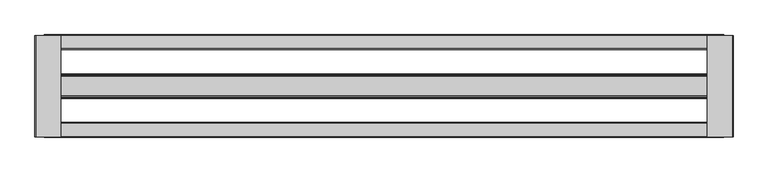
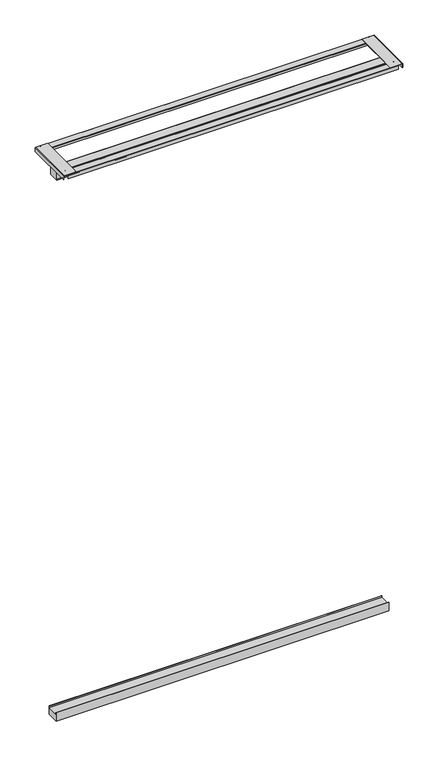
"""IFC4 building model written with IfcOpenShell, lengths in millimetres: proxy geometry."""

from ifc_helpers import new_model, si_unit, point, frame, frame_2d, origin, place, context, project, spatial, polyline, circle_curve, trimmed, segment, composite_curve, outline, extrude, source, transform, mapped, element, save


def specialty_equipment_dbc29249(model_context):
    return source(origin(), model_context, "Body", "SweptSolid", [
        extrude(outline(polyline([(151.8614375, 45.5168), (153.3854375, 45.5168), (153.3854375, 0.0), (91.5364375, 0.0), (91.5364375, 45.5168), (93.0604375, 45.5168), (93.0604375, 37.1348), (151.8614375, 37.1348), (151.8614375, 45.5168)])), frame((-575.3211522, 0.0, 0.0), z_axis=(1.0, 0.0, 0.0), x_axis=(0.0, 1.0, 0.0)), (0.0, 0.0, 1.0), 1730.9084),
        extrude(outline(composite_curve([segment(trimmed(circle_curve(frame_2d((250.3710963, 3056.9111588)), 1.0456412), [point((251.4167375, 3056.9111588))], [point((250.3710963, 3057.9568))], True, "CARTESIAN"), True, "CONTINUOUS"), segment(polyline([(250.3710963, 3057.9568), (216.9675311, 3057.9568)]), True, "CONTINUOUS"), segment(trimmed(circle_curve(frame_2d((216.9675311, 3057.1254064)), 0.8313936), [point((216.9675311, 3057.9568))], [point((216.1361375, 3057.1254064))], True, "CARTESIAN"), True, "CONTINUOUS"), segment(polyline([(216.1361375, 3057.1254064), (216.1361375, 3046.476), (214.9169375, 3046.476), (214.9169375, 3056.9623653)]), True, "CONTINUOUS"), segment(trimmed(circle_curve(frame_2d((217.1305722, 3056.9623653)), 2.2136347), [point((214.9169375, 3056.9623653))], [point((217.1305722, 3059.176))], False, "CARTESIAN"), True, "CONTINUOUS"), segment(polyline([(217.1305722, 3059.176), (250.5056994, 3059.176)]), True, "CONTINUOUS"), segment(trimmed(circle_curve(frame_2d((250.5056994, 3057.0457619)), 2.1302381), [point((250.5056994, 3059.176))], [point((252.6359375, 3057.0457619))], False, "CARTESIAN"), True, "CONTINUOUS"), segment(polyline([(252.6359375, 3057.0457619), (252.6359375, 3038.2837), (251.4167375, 3038.2837), (251.4167375, 3056.9111588)]), True, "CONTINUOUS")], self_intersect=False)), frame((-568.5381433, 0.0, 0.0), z_axis=(1.0, 0.0, 0.0), x_axis=(0.0, 1.0, 0.0)), (0.0, 0.0, 1.0), 1717.3423822),
        extrude(outline(composite_curve([segment(polyline([(28.7857375, 3046.476), (28.7857375, 3056.939757)]), True, "CONTINUOUS"), segment(trimmed(circle_curve(frame_2d((27.7686945, 3056.939757)), 1.017043), [point((28.7857375, 3056.939757))], [point((27.7686945, 3057.9568))], True, "CARTESIAN"), True, "CONTINUOUS"), segment(polyline([(27.7686945, 3057.9568), (-5.6179457, 3057.9568)]), True, "CONTINUOUS"), segment(trimmed(circle_curve(frame_2d((-5.6179457, 3057.0798832)), 0.8769168), [point((-5.6179457, 3057.9568))], [point((-6.4948625, 3057.0798832))], True, "CARTESIAN"), True, "CONTINUOUS"), segment(polyline([(-6.4948625, 3057.0798832), (-6.4948625, 3038.2837), (-7.7140625, 3038.2837), (-7.7140625, 3057.0872847)]), True, "CONTINUOUS"), segment(trimmed(circle_curve(frame_2d((-5.6253472, 3057.0872847)), 2.0887153), [point((-7.7140625, 3057.0872847))], [point((-5.6253472, 3059.176))], False, "CARTESIAN"), True, "CONTINUOUS"), segment(polyline([(-5.6253472, 3059.176), (27.8200722, 3059.176)]), True, "CONTINUOUS"), segment(trimmed(circle_curve(frame_2d((27.8200722, 3056.9911347)), 2.1848653), [point((27.8200722, 3059.176))], [point((30.0049375, 3056.9911347))], False, "CARTESIAN"), True, "CONTINUOUS"), segment(polyline([(30.0049375, 3056.9911347), (30.0049375, 3046.476), (28.7857375, 3046.476)]), True, "CONTINUOUS")], self_intersect=False)), frame((-568.5381433, 0.0, 0.0), z_axis=(1.0, 0.0, 0.0), x_axis=(0.0, 1.0, 0.0)), (0.0, 0.0, 1.0), 1717.3423822),
        extrude(outline(composite_curve([segment(trimmed(circle_curve(frame_2d((145.976614, 2970.0470435)), 3.9112435), [point((149.8878575, 2970.0470435))], [point((145.976614, 2966.1358))], False, "CARTESIAN"), True, "CONTINUOUS"), segment(polyline([(145.976614, 2966.1358), (100.2545068, 2966.1358)]), True, "CONTINUOUS"), segment(trimmed(circle_curve(frame_2d((100.2545068, 2971.3562893)), 5.2204893), [point((100.2545068, 2966.1358))], [point((95.0340175, 2971.3562893))], False, "CARTESIAN"), True, "CONTINUOUS"), segment(polyline([(95.0340175, 2971.3562893), (95.0340175, 3007.4598892)]), True, "CONTINUOUS"), segment(trimmed(circle_curve(frame_2d((97.4741283, 3007.4598892)), 2.4401108), [point((95.0340175, 3007.4598892))], [point((97.4741283, 3009.9))], False, "CARTESIAN"), True, "CONTINUOUS"), segment(polyline([(97.4741283, 3009.9), (147.3816271, 3009.9)]), True, "CONTINUOUS"), segment(trimmed(circle_curve(frame_2d((147.3816271, 3007.3937696)), 2.5062304), [point((147.3816271, 3009.9))], [point((149.8878575, 3007.3937696))], False, "CARTESIAN"), True, "CONTINUOUS"), segment(polyline([(149.8878575, 3007.3937696), (149.8878575, 2970.0470435)]), True, "CONTINUOUS")], self_intersect=False)), frame((-568.5381433, 0.0, 0.0), z_axis=(1.0, 0.0, 0.0), x_axis=(0.0, 1.0, 0.0)), (0.0, 0.0, 1.0), 1717.3423822),
        extrude(outline(composite_curve([segment(trimmed(circle_curve(frame_2d((3058.0375326, -589.6766847)), 1.0749674), [point((3058.0375326, -590.7516522))], [point((3059.1125, -589.6766847))], True, "CARTESIAN"), True, "CONTINUOUS"), segment(polyline([(3059.1125, -589.6766847), (3059.1125, -527.2516522), (3060.7, -527.2516522), (3060.7, -589.7329018)]), True, "CONTINUOUS"), segment(trimmed(circle_curve(frame_2d((3058.0937496, -589.7329018)), 2.6062504), [point((3060.7, -589.7329018))], [point((3058.0937496, -592.3391522))], False, "CARTESIAN"), True, "CONTINUOUS"), segment(polyline([(3058.0937496, -592.3391522), (3038.475, -592.3391522), (3038.475, -590.7516522), (3058.0375326, -590.7516522)]), True, "CONTINUOUS")], self_intersect=False)), frame((0.0, -5.5390625, 0.0), z_axis=(0.0, 1.0, 0.0), x_axis=(0.0, 0.0, 1.0)), (0.0, 0.0, 1.0), 256.0000001),
        extrude(outline(composite_curve([segment(trimmed(circle_curve(frame_2d((3058.3509434, 1170.2561913)), 0.7615566), [point((3059.1125, 1170.2561913))], [point((3058.3509434, 1171.0177478))], True, "CARTESIAN"), True, "CONTINUOUS"), segment(polyline([(3058.3509434, 1171.0177478), (3038.475, 1171.0177478), (3038.475, 1172.6052478), (3058.4519064, 1172.6052478)]), True, "CONTINUOUS"), segment(trimmed(circle_curve(frame_2d((3058.4519064, 1170.3571542)), 2.2480936), [point((3058.4519064, 1172.6052478))], [point((3060.7, 1170.3571542))], False, "CARTESIAN"), True, "CONTINUOUS"), segment(polyline([(3060.7, 1170.3571542), (3060.7, 1107.5177478), (3059.1125, 1107.5177478), (3059.1125, 1170.2561913)]), True, "CONTINUOUS")], self_intersect=False)), frame((0.0, -5.5390625, 0.0), z_axis=(0.0, 1.0, 0.0), x_axis=(0.0, 0.0, 1.0)), (0.0, 0.0, 1.0), 256.0000001),
    ])


if __name__ == "__main__":
    model = new_model("IFC4")
    model_context = context("Model", 3, world=origin())
    ifc_project = project(units=[si_unit("LENGTHUNIT", "METRE", prefix="MILLI")], contexts=[model_context])
    site = spatial("IfcSite", under=ifc_project)
    building = spatial("IfcBuilding", under=site)
    placement = place(None, origin())
    specialty_equipment_shape = specialty_equipment_dbc29249(model_context)
    element("IfcBuildingElementProxy", 1, Name="Specialty Equipment", at=placement, inside=building, context=model_context, shape_type="MappedRepresentation", body=[
        mapped(specialty_equipment_shape, transform((0.0, 0.0, 0.0), x_axis=(1.0, 0.0, 0.0), y_axis=(0.0, 1.0, 0.0), z_axis=(0.0, 0.0, 1.0))),
    ])
    save(model, "model.ifc")
